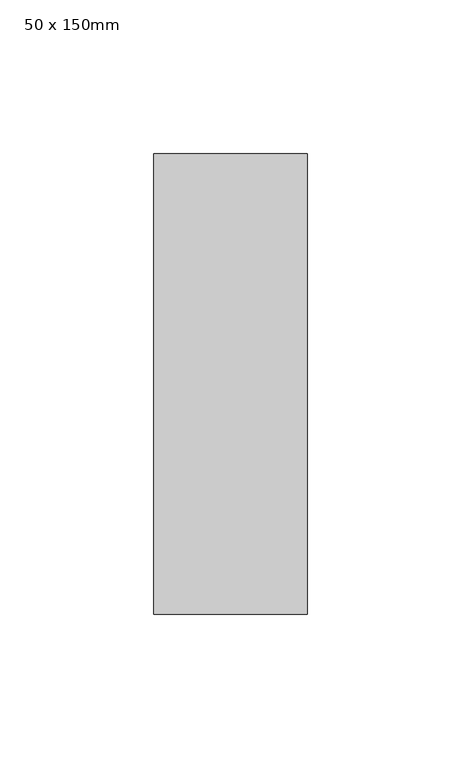
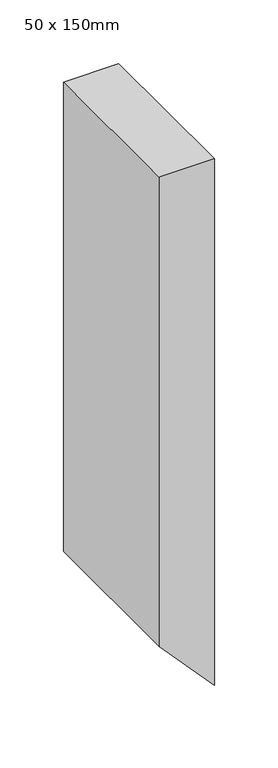
"""IFC4 building model written with IfcOpenShell, lengths in millimetres: member geometry, 50 x 150mm."""

import ifcopenshell
import ifcopenshell.guid

model = None  # the IFC model being written
_history = None  # IfcOwnerHistory: only IFC2X3 demands one
_inside = {}  # id of a spatial element -> (the spatial element, [elements in it])
_under = {}  # id of a project, library or spatial element -> (it, [spatial elements below it])
_declared = {}  # id of a project -> (the project, [libraries it declares])
_typed = {}  # id of a type object -> (the type object, [elements of that type])
_made_of = {}  # id of a material, layer set ... -> (it, [elements and type objects made of it])


def new_model(schema):
    """Start an empty IFC model of exactly this schema.

    Asked for "IFC4X3", IfcOpenShell would pick the latest addendum, in which some entities
    have other attributes; the version numbers below select the first issue.
    IFC2X3 requires an IfcOwnerHistory on every rooted entity: one is made here for all.
    """
    global model, _history
    if schema == "IFC4X3":
        model = ifcopenshell.file(schema_version=(4, 3, 0, 0))
    else:
        model = ifcopenshell.file(schema=schema)
    _inside.clear()
    _under.clear()
    _declared.clear()
    _typed.clear()
    _made_of.clear()
    _history = None
    if model.schema == "IFC2X3":
        org = make("IfcOrganization", Name="unknown")
        user = make(
            "IfcPersonAndOrganization",
            ThePerson=make("IfcPerson", FamilyName="unknown"),
            TheOrganization=org,
        )
        app = make(
            "IfcApplication",
            ApplicationDeveloper=org,
            Version="unknown",
            ApplicationFullName="unknown",
            ApplicationIdentifier="unknown",
        )
        _history = make(
            "IfcOwnerHistory",
            OwningUser=user,
            OwningApplication=app,
            ChangeAction="ADDED",
            CreationDate=0,
        )
    return model


def make(cls, **values):
    """One entity of the class cls with the attributes given. An attribute that is None is left unset."""
    return model.create_entity(
        cls, **{name: value for name, value in values.items() if value is not None}
    )


def rooted(cls, **values):
    """An entity with a GlobalId (a new one), such as an element, a storey or a relation."""
    return make(cls, GlobalId=ifcopenshell.guid.new(), OwnerHistory=_history, **values)


def si_unit(unit_type, name, prefix=None):
    """IfcSIUnit, for example si_unit("LENGTHUNIT", "METRE", prefix="MILLI")."""
    return make("IfcSIUnit", UnitType=unit_type, Prefix=prefix, Name=name)


def assignment(units):
    """IfcUnitAssignment: the units of a project."""
    return None if units is None else make("IfcUnitAssignment", Units=units)


def point(xyz):
    """IfcCartesianPoint."""
    return None if xyz is None else make("IfcCartesianPoint", Coordinates=xyz)


def direction(xyz):
    """IfcDirection."""
    return None if xyz is None else make("IfcDirection", DirectionRatios=xyz)


def frame(location, z_axis=None, x_axis=None):
    """IfcAxis2Placement3D, a coordinate frame: its origin and axes. An axis left out is left unset."""
    return make(
        "IfcAxis2Placement3D",
        Location=point(location),
        Axis=direction(z_axis),
        RefDirection=direction(x_axis),
    )


def origin():
    """The frame at (0, 0, 0) with its axes left unset."""
    return frame((0.0, 0.0, 0.0))


def place(relative_to, where):
    """IfcLocalPlacement: puts the frame where relative to a parent placement (None: the world)."""
    return make(
        "IfcLocalPlacement", PlacementRelTo=relative_to, RelativePlacement=where
    )


def context(
    kind, dimensions, precision=None, world=None, true_north=None, identifier=None
):
    """IfcGeometricRepresentationContext, for example the 3D "Model" context."""
    return make(
        "IfcGeometricRepresentationContext",
        ContextIdentifier=identifier,
        ContextType=kind,
        CoordinateSpaceDimension=dimensions,
        Precision=precision,
        WorldCoordinateSystem=world,
        TrueNorth=true_north,
    )


def project(units=None, contexts=None):
    """IfcProject with its units and contexts."""
    return rooted(
        "IfcProject",
        Name="project",
        RepresentationContexts=contexts,
        UnitsInContext=assignment(units),
    )


def spatial(cls, under=None, at=None, **own):
    """A site, building, storey or space (cls), placed at a placement, below another one or the project."""
    s = rooted(cls, ObjectPlacement=at, **own)
    if under is not None:
        _under.setdefault(under.id(), (under, []))[1].append(s)
    return s


def polyline(points):
    """IfcPolyline through the points."""
    return make("IfcPolyline", Points=[point(p) for p in points])


def outline(outer, holes=None, kind="AREA"):
    """IfcArbitraryClosedProfileDef: a profile drawn as a closed curve; with holes, ...WithVoids."""
    if holes is None:
        return make("IfcArbitraryClosedProfileDef", ProfileType=kind, OuterCurve=outer)
    return make(
        "IfcArbitraryProfileDefWithVoids",
        ProfileType=kind,
        OuterCurve=outer,
        InnerCurves=holes,
    )


def extrude(swept, where, along, depth):
    """IfcExtrudedAreaSolid: the profile swept, set in the frame where, extruded along a direction by depth."""
    return make(
        "IfcExtrudedAreaSolid",
        SweptArea=swept,
        Position=where,
        ExtrudedDirection=direction(along),
        Depth=depth,
    )


def shape(context_of_items, identifier, shape_type, items):
    """IfcShapeRepresentation: the items that make up one representation, for example the "Body"."""
    return make(
        "IfcShapeRepresentation",
        ContextOfItems=context_of_items,
        RepresentationIdentifier=identifier,
        RepresentationType=shape_type,
        Items=items,
    )


def source(mapping_origin, context_of_items, identifier, shape_type, items):
    """IfcRepresentationMap: a shape defined once, which mapped items show again and again."""
    return make(
        "IfcRepresentationMap",
        MappingOrigin=mapping_origin,
        MappedRepresentation=shape(context_of_items, identifier, shape_type, items),
    )


def transform(
    local_origin,
    x_axis=None,
    y_axis=None,
    z_axis=None,
    scale=None,
    scale2=None,
    scale3=None,
    uniform=True,
):
    """IfcCartesianTransformationOperator3D, or its non-uniform kind. x_axis, y_axis, z_axis: its Axis1, 2, 3."""
    if uniform:
        return make(
            "IfcCartesianTransformationOperator3D",
            Axis1=direction(x_axis),
            Axis2=direction(y_axis),
            LocalOrigin=point(local_origin),
            Scale=scale,
            Axis3=direction(z_axis),
        )
    return make(
        "IfcCartesianTransformationOperator3DnonUniform",
        Axis1=direction(x_axis),
        Axis2=direction(y_axis),
        LocalOrigin=point(local_origin),
        Scale=scale,
        Axis3=direction(z_axis),
        Scale2=scale2,
        Scale3=scale3,
    )


def mapped(mapping_source, mapping_target):
    """IfcMappedItem: shows the shape of a source again, moved by a transform."""
    return make(
        "IfcMappedItem", MappingSource=mapping_source, MappingTarget=mapping_target
    )


def made_of(thing, what):
    """Note that an element or type object is made of a material, layer set ...; save() writes the relation."""
    if what is not None:
        _made_of.setdefault(what.id(), (what, []))[1].append(thing)
    return thing


def element(
    cls,
    number,
    at=None,
    inside=None,
    cuts=None,
    type_object=None,
    material=None,
    context=None,
    identifier="Body",
    shape_type=None,
    held_by="IfcProductDefinitionShape",
    body=None,
    shapes=None,
    **own,
):
    """One element of the class cls, such as IfcWall. Its Tag is "e" and its number.

    at: its placement. inside: the storey or other place that contains it. cuts: it is an
    opening in that element (IfcRelVoidsElement). A single representation is given by context,
    identifier, shape_type and body (its items); several are given by shapes. held_by: the class
    of the entity that holds the representations. save() writes the other relations.
    """
    e = rooted(cls, Tag="e%d" % number, ObjectPlacement=at, **own)
    if body is not None:
        shapes = [shape(context, identifier, shape_type, body)]
    if shapes is not None:
        e.Representation = make(held_by, Representations=shapes)
    if inside is not None:
        _inside.setdefault(inside.id(), (inside, []))[1].append(e)
    if cuts is not None:
        rooted(
            "IfcRelVoidsElement", RelatingBuildingElement=cuts, RelatedOpeningElement=e
        )
    if type_object is not None:
        _typed.setdefault(type_object.id(), (type_object, []))[1].append(e)
    return made_of(e, material)


def aggregate(whole, parts):
    """IfcRelAggregates: a whole, such as a stair, and the parts it consists of."""
    return rooted("IfcRelAggregates", RelatingObject=whole, RelatedObjects=parts)


def save(model, path):
    """Write the relations noted so far, then the file.

    IfcRelAggregates (storeys below a building ...), IfcRelContainedInSpatialStructure (elements
    in a storey), IfcRelDefinesByType, IfcRelAssociatesMaterial and IfcRelDeclares: one each for
    every whole, place, type object, material and project.
    """
    for whole, parts in _under.values():
        aggregate(whole, parts)
    for where, things in _inside.values():
        rooted(
            "IfcRelContainedInSpatialStructure",
            RelatedElements=things,
            RelatingStructure=where,
        )
    for kind, things in _typed.values():
        rooted("IfcRelDefinesByType", RelatedObjects=things, RelatingType=kind)
    for what, things in _made_of.values():
        rooted("IfcRelAssociatesMaterial", RelatedObjects=things, RelatingMaterial=what)
    for by, libraries in _declared.values():
        rooted("IfcRelDeclares", RelatingContext=by, RelatedDefinitions=libraries)
    model.write(path)


def member_50_x_150mm_461f636c(model_context):
    return source(origin(), model_context, "Body", "SweptSolid", [
        extrude(outline(polyline([(0.0, 0.0), (0.0, -50.0), (-449.8570551, -50.0), (-504.9152025, 0.0), (0.0, 0.0)])), frame((0.0, -75.0, 0.0), z_axis=(0.0, 1.0, 0.0), x_axis=(0.0, 0.0, 1.0)), (0.0, 0.0, 1.0), 150.0),
    ])


if __name__ == "__main__":
    model = new_model("IFC4")
    model_context = context("Model", 3, world=origin())
    ifc_project = project(units=[si_unit("LENGTHUNIT", "METRE", prefix="MILLI")], contexts=[model_context])
    site = spatial("IfcSite", under=ifc_project)
    building = spatial("IfcBuilding", under=site)
    placement = place(None, origin())
    member_50_x_150mm_shape = member_50_x_150mm_461f636c(model_context)
    element("IfcMember", 1, ObjectType="50 x 150mm", at=placement, inside=building, context=model_context, shape_type="MappedRepresentation", body=[
        mapped(member_50_x_150mm_shape, transform((0.0, 0.0, 0.0), x_axis=(1.0, 0.0, 0.0), y_axis=(0.0, 1.0, 0.0), z_axis=(0.0, 0.0, 1.0))),
    ])
    save(model, "model.ifc")
